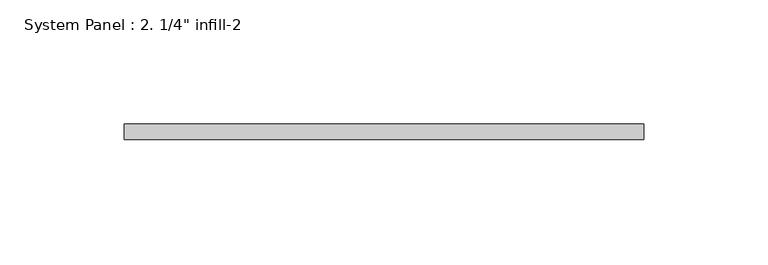
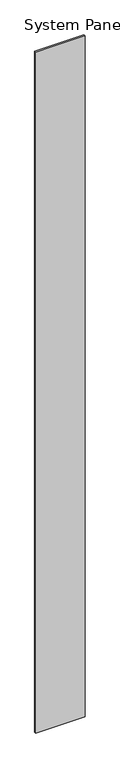
"""IFC4 building model written with IfcOpenShell, lengths in millimetres: plate geometry."""

from ifc_helpers import new_model, si_unit, origin, origin_with_axes, place, context, project, spatial, polyline, outline, extrude, source, transform, mapped, element, save


def plate_00c0db72(model_context):
    return source(origin(), model_context, "Body", "SweptSolid", [
        extrude(outline(polyline([(104.775, 0.0), (-104.775, 0.0), (-104.775, 6.35), (104.775, 6.35), (104.775, 0.0)])), origin_with_axes(), (0.0, 0.0, 1.0), 3048.0),
    ])


if __name__ == "__main__":
    model = new_model("IFC4")
    model_context = context("Model", 3, world=origin())
    ifc_project = project(units=[si_unit("LENGTHUNIT", "METRE", prefix="MILLI")], contexts=[model_context])
    site = spatial("IfcSite", under=ifc_project)
    building = spatial("IfcBuilding", under=site)
    placement = place(None, origin())
    plate_shape = plate_00c0db72(model_context)
    element("IfcPlate", 1, ObjectType="System Panel : 2. 1/4\" infill-2", at=placement, inside=building, context=model_context, shape_type="MappedRepresentation", body=[
        mapped(plate_shape, transform((0.0, 0.0, 0.0), x_axis=(1.0, 0.0, 0.0), y_axis=(0.0, 1.0, 0.0), z_axis=(0.0, 0.0, 1.0))),
    ])
    save(model, "model.ifc")
